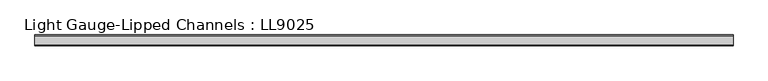
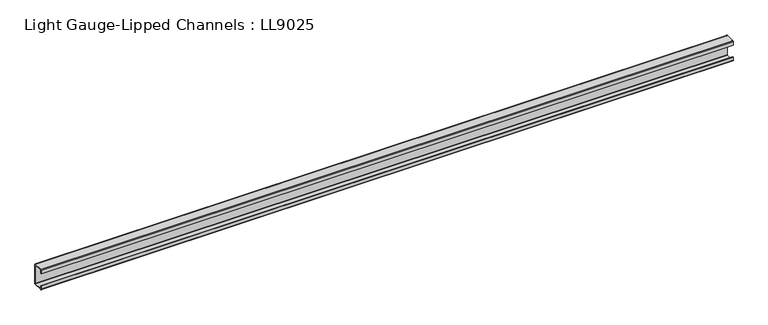
"""IFC4 building model written with IfcOpenShell, lengths in millimetres: beam geometry, Light Gauge-Lipped Channels : LL9025."""

from ifc_helpers import new_model, si_unit, point, frame, frame_2d, origin, place, context, project, spatial, polyline, circle_curve, trimmed, segment, composite_curve, outline, extrude, source, transform, mapped, element, save


def light_gauge_lipped_channels_ll9025_ec0354bf(model_context):
    return source(origin(), model_context, "Body", "SweptSolid", [
        extrude(outline(composite_curve([segment(trimmed(circle_curve(frame_2d((14.7, -41.5)), 3.5), [point((18.2, -41.5))], [point((14.7, -45.0))], False, "CARTESIAN"), True, "CONTINUOUS"), segment(polyline([(14.7, -45.0), (-23.3, -45.0)]), True, "CONTINUOUS"), segment(trimmed(circle_curve(frame_2d((-23.3, -41.5)), 3.5), [point((-23.3, -45.0))], [point((-26.8, -41.5))], False, "CARTESIAN"), True, "CONTINUOUS"), segment(polyline([(-26.8, -41.5), (-26.8, -27.0), (-24.3, -27.0), (-24.3, -41.5)]), True, "CONTINUOUS"), segment(trimmed(circle_curve(frame_2d((-23.3, -41.5)), 1.0), [point((-24.3, -41.5))], [point((-23.3, -42.5))], True, "CARTESIAN"), True, "CONTINUOUS"), segment(polyline([(-23.3, -42.5), (14.7, -42.5)]), True, "CONTINUOUS"), segment(trimmed(circle_curve(frame_2d((14.7, -41.5)), 1.0), [point((14.7, -42.5))], [point((15.7, -41.5))], True, "CARTESIAN"), True, "CONTINUOUS"), segment(polyline([(15.7, -41.5), (15.7, 41.5)]), True, "CONTINUOUS"), segment(trimmed(circle_curve(frame_2d((14.7, 41.5)), 1.0), [point((15.7, 41.5))], [point((14.7, 42.5))], True, "CARTESIAN"), True, "CONTINUOUS"), segment(polyline([(14.7, 42.5), (-23.3, 42.5)]), True, "CONTINUOUS"), segment(trimmed(circle_curve(frame_2d((-23.3, 41.5)), 1.0), [point((-23.3, 42.5))], [point((-24.3, 41.5))], True, "CARTESIAN"), True, "CONTINUOUS"), segment(polyline([(-24.3, 41.5), (-24.3, 27.0), (-26.8, 27.0), (-26.8, 41.5)]), True, "CONTINUOUS"), segment(trimmed(circle_curve(frame_2d((-23.3, 41.5)), 3.5), [point((-26.8, 41.5))], [point((-23.3, 45.0))], False, "CARTESIAN"), True, "CONTINUOUS"), segment(polyline([(-23.3, 45.0), (14.7, 45.0)]), True, "CONTINUOUS"), segment(trimmed(circle_curve(frame_2d((14.7, 41.5)), 3.5), [point((14.7, 45.0))], [point((18.2, 41.5))], False, "CARTESIAN"), True, "CONTINUOUS"), segment(polyline([(18.2, 41.5), (18.2, -41.5)]), True, "CONTINUOUS")], self_intersect=False)), frame((-1485.7147626, 0.0, 0.0), z_axis=(1.0, 0.0, 0.0), x_axis=(0.0, 1.0, 0.0)), (0.0, 0.0, 1.0), 2916.2147626),
    ])


if __name__ == "__main__":
    model = new_model("IFC4")
    model_context = context("Model", 3, world=origin())
    ifc_project = project(units=[si_unit("LENGTHUNIT", "METRE", prefix="MILLI")], contexts=[model_context])
    site = spatial("IfcSite", under=ifc_project)
    building = spatial("IfcBuilding", under=site)
    placement = place(None, origin())
    light_gauge_lipped_channels_ll9025_shape = light_gauge_lipped_channels_ll9025_ec0354bf(model_context)
    element("IfcBeam", 1, ObjectType="Light Gauge-Lipped Channels : LL9025", at=placement, inside=building, context=model_context, shape_type="MappedRepresentation", body=[
        mapped(light_gauge_lipped_channels_ll9025_shape, transform((0.0, 0.0, 0.0), x_axis=(1.0, 0.0, 0.0), y_axis=(0.0, 1.0, 0.0), z_axis=(0.0, 0.0, 1.0))),
    ])
    save(model, "model.ifc")
